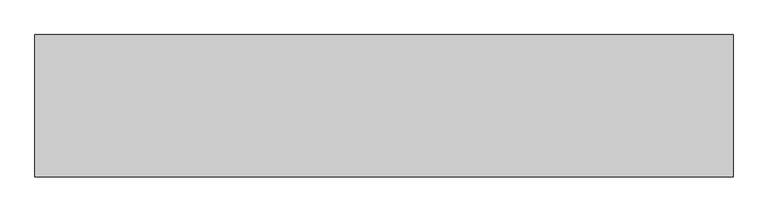
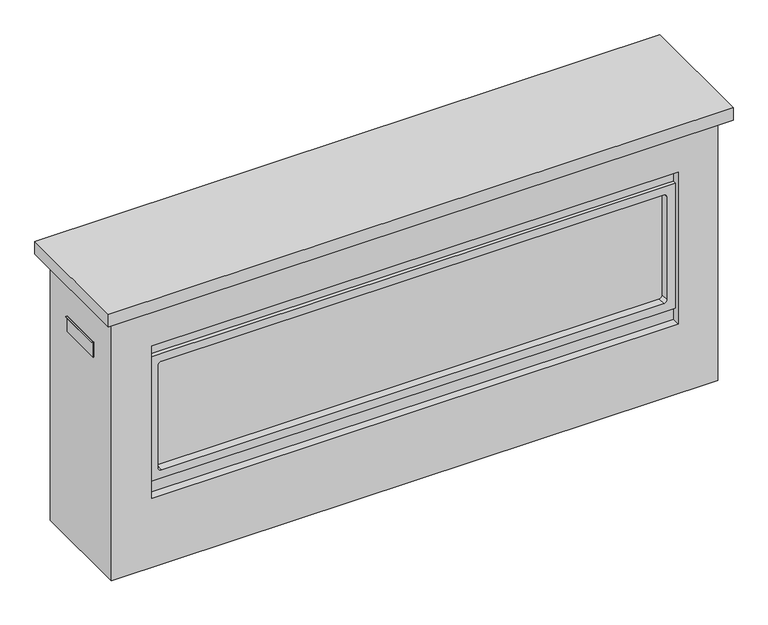
"""IFC4 building model written with IfcOpenShell, lengths in millimetres: proxy geometry."""

from ifc_helpers import new_model, si_unit, point, frame, frame_2d, origin, place, context, project, spatial, polyline, circle_curve, trimmed, segment, composite_curve, outline, extrude, source, transform, mapped, element, save
from ifc_brep_helpers import plane_surface, revolved_surface, advanced_brep


def generic_models_ce2f9908(model_context):
    return source(origin(), model_context, "Body", "SolidModel", [
        extrude(outline(composite_curve([segment(trimmed(circle_curve(frame_2d((729.4626, 947.0489017)), 1.7018), [point((731.1644, 947.0489017))], [point((729.4626, 945.3471017))], False, "CARTESIAN"), True, "CONTINUOUS"), segment(polyline([(729.4626, 945.3471017), (684.0302362, 945.3471017), (680.4675914, 945.3471017), (680.4675914, 944.5625), (679.6738414, 944.5625), (679.6738414, 946.1408517), (729.4626, 946.1408517)]), True, "CONTINUOUS"), segment(trimmed(circle_curve(frame_2d((729.4626, 947.0489017)), 0.90805), [point((729.4626, 946.1408517))], [point((730.37065, 947.0489017))], True, "CARTESIAN"), True, "CONTINUOUS"), segment(polyline([(730.37065, 947.0489017), (730.37065, 951.1891017), (731.1644, 951.1891017), (731.1644, 947.0489017)]), True, "CONTINUOUS")], self_intersect=False)), frame((0.0, -69.85, 0.0), z_axis=(0.0, 1.0, 0.0), x_axis=(0.0, 0.0, 1.0)), (0.0, 0.0, 1.0), 139.7),
        extrude(outline(composite_curve([segment(polyline([(731.1644, -947.0489017), (731.1644, -951.1891017), (730.37065, -951.1891017), (730.37065, -947.0489017)]), True, "CONTINUOUS"), segment(trimmed(circle_curve(frame_2d((729.4626, -947.0489017)), 0.90805), [point((730.37065, -947.0489017))], [point((729.4626, -946.1408517))], True, "CARTESIAN"), True, "CONTINUOUS"), segment(polyline([(729.4626, -946.1408517), (679.6738414, -946.1408517), (679.6738414, -944.5625), (680.4675914, -944.5625), (680.4675914, -945.3471017), (684.0302362, -945.3471017), (729.4626, -945.3471017)]), True, "CONTINUOUS"), segment(trimmed(circle_curve(frame_2d((729.4626, -947.0489017)), 1.7018), [point((729.4626, -945.3471017))], [point((731.1644, -947.0489017))], False, "CARTESIAN"), True, "CONTINUOUS")], self_intersect=False)), frame((0.0, -69.85, 0.0), z_axis=(0.0, 1.0, 0.0), x_axis=(0.0, 0.0, 1.0)), (0.0, 0.0, 1.0), 139.7),
        advanced_brep(
        [(944.5625, 165.1, 866.775), (-944.5625, 165.1, 866.775), (-944.5625, -165.1, 866.775), (944.5625, -165.1, 866.775), (944.5625, 165.1, 0.0), (944.5625, -165.1, 0.0), (-944.5625, -165.1, 0.0), (-944.5625, 165.1, 0.0), (-819.15, -165.1, 228.6569412), (-819.15, -165.1, 730.25), (820.7375, -165.1, 730.25), (820.7375, -165.1, 228.6569412), (820.7375, -139.7, 730.25), (-819.15, -139.7, 730.25), (-819.15, -139.7, 684.6981706), (820.7375, -139.7, 684.6981706), (820.7375, -139.7, 274.2087706), (-819.15, -139.7, 274.2087706), (-819.15, -139.7, 228.6569412), (820.7375, -139.7, 228.6569412), (-819.15, -152.4, 274.2087706), (-819.15, -152.4, 684.6981706), (820.7375, -152.4, 684.6981706), (820.7375, -152.4, 274.2087706), (-791.1084, -127.0, 649.7731706), (-791.1084, -127.0, 310.8863706), (-781.5834, -127.0, 301.3613706), (783.1709, -127.0, 301.3613706), (792.6959, -127.0, 310.8863706), (792.6959, -127.0, 649.7731706), (783.1709, -127.0, 659.2981706), (-781.5834, -127.0, 659.2981706), (-791.1084, -152.4, 649.7731706), (-791.1084, -152.4, 310.8863706), (-781.5834, -152.4, 301.3613706), (783.1709, -152.4, 301.3613706), (792.6959, -152.4, 310.8863706), (792.6959, -152.4, 649.7731706), (783.1709, -152.4, 659.2981706), (-781.5834, -152.4, 659.2981706)],
        [
            (0, 1),
            (1, 2),
            (2, 3),
            (3, 0),
            (4, 5),
            (5, 6),
            (6, 7),
            (7, 4),
            (0, 4),
            (7, 1),
            (6, 2),
            (5, 3),
            (8, 9),
            (9, 10),
            (10, 11),
            (11, 8),
            (12, 13),
            (13, 14),
            (14, 15),
            (15, 12),
            (16, 17),
            (17, 18),
            (18, 19),
            (19, 16),
            (12, 10),
            (9, 13),
            (8, 18),
            (17, 20),
            (20, 21),
            (21, 14),
            (21, 22),
            (22, 15),
            (22, 23),
            (23, 16),
            (19, 11),
            (23, 20),
            (24, 25),
            (25, 26, circle_curve(frame((-781.5834, -127.0, 310.8863706), z_axis=(0.0, -1.0, 0.0), x_axis=(1.0, 0.0, 0.0)), 9.525)),
            (26, 27),
            (27, 28, circle_curve(frame((783.1709, -127.0, 310.8863706), z_axis=(0.0, -1.0, 0.0), x_axis=(1.0, 0.0, 0.0)), 9.525)),
            (28, 29),
            (29, 30, circle_curve(frame((783.1709, -127.0, 649.7731706), z_axis=(0.0, -1.0, 0.0), x_axis=(1.0, 0.0, 0.0)), 9.525)),
            (30, 31),
            (31, 24, circle_curve(frame((-781.5834, -127.0, 649.7731706), z_axis=(0.0, -1.0, 0.0), x_axis=(1.0, 0.0, 0.0)), 9.525)),
            (24, 32),
            (32, 33),
            (33, 25),
            (33, 34, circle_curve(frame((-781.5834, -152.4, 310.8863706), z_axis=(0.0, -1.0, 0.0), x_axis=(1.0, 0.0, 0.0)), 9.525)),
            (34, 26),
            (34, 35),
            (35, 27),
            (35, 36, circle_curve(frame((783.1709, -152.4, 310.8863706), z_axis=(0.0, -1.0, 0.0), x_axis=(1.0, 0.0, 0.0)), 9.525)),
            (36, 28),
            (36, 37),
            (37, 29),
            (37, 38, circle_curve(frame((783.1709, -152.4, 649.7731706), z_axis=(0.0, -1.0, 0.0), x_axis=(1.0, 0.0, 0.0)), 9.525)),
            (38, 30),
            (38, 39),
            (39, 31),
            (39, 32, circle_curve(frame((-781.5834, -152.4, 649.7731706), z_axis=(0.0, -1.0, 0.0), x_axis=(1.0, 0.0, 0.0)), 9.525)),
        ],
        [
            plane_surface(frame((-782.6375, 165.1, 866.775), z_axis=(0.0, 0.0, 1.0), x_axis=(-1.0, 0.0, 0.0))),
            plane_surface(frame((-782.6375, 165.1, 0.0), z_axis=(0.0, 0.0, -1.0), x_axis=(1.0, 0.0, 0.0))),
            plane_surface(frame((944.5625, 165.1, 866.775), z_axis=(0.0, 1.0, 0.0), x_axis=(0.0, 0.0, -1.0))),
            plane_surface(frame((-944.5625, 165.1, 866.775), z_axis=(-1.0, 0.0, 0.0), x_axis=(0.0, 0.0, -1.0))),
            plane_surface(frame((-944.5625, -165.1, 866.775), z_axis=(0.0, -1.0, 0.0), x_axis=(0.0, 0.0, -1.0))),
            plane_surface(frame((944.5625, -165.1, 866.775), z_axis=(1.0, 0.0, 0.0), x_axis=(0.0, 0.0, -1.0))),
            plane_surface(frame((-819.15, -139.7, 730.25), z_axis=(0.0, -1.0, 0.0), x_axis=(1.0, 0.0, 0.0))),
            plane_surface(frame((820.7375, -165.1, 730.25), z_axis=(0.0, 0.0, -1.0), x_axis=(0.0, 1.0, 0.0))),
            plane_surface(frame((-819.15, -165.1, 730.25), z_axis=(1.0, 0.0, 0.0), x_axis=(0.0, 1.0, 0.0))),
            plane_surface(frame((-819.15, -165.1, 684.6981706), z_axis=(0.0, 0.0, 1.0), x_axis=(0.0, 1.0, 0.0))),
            plane_surface(frame((820.7375, -165.1, 684.6981706), z_axis=(-1.0, 0.0, 0.0), x_axis=(0.0, 1.0, 0.0))),
            plane_surface(frame((820.7375, -165.1, 274.2087706), z_axis=(0.0, 0.0, -1.0), x_axis=(0.0, 1.0, 0.0))),
            plane_surface(frame((-819.15, -165.1, 228.6569412), z_axis=(0.0, 0.0, 1.0), x_axis=(0.0, 1.0, 0.0))),
            plane_surface(frame((-791.1084, -127.0, 310.8863706), z_axis=(0.0, -1.0, 0.0), x_axis=(0.0, 0.0, 1.0))),
            plane_surface(frame((-791.1084, -165.1, 649.7731706), z_axis=(1.0, 0.0, 0.0), x_axis=(0.0, 1.0, 0.0))),
            revolved_surface(polyline([(-772.0584, -152.4, 310.8863706), (-772.0584, -127.0, 310.8863706)]), (-781.5834, -127.0, 310.8863706), (0.0, -1.0, 0.0)),
            plane_surface(frame((-781.5834, -165.1, 301.3613706), z_axis=(0.0, 0.0, 1.0), x_axis=(0.0, 1.0, 0.0))),
            revolved_surface(polyline([(792.6958999999999, -152.4, 310.8863706), (792.6958999999999, -127.0, 310.8863706)]), (783.1709, -127.0, 310.8863706), (0.0, -1.0, 0.0)),
            plane_surface(frame((792.6959, -165.1, 310.8863706), z_axis=(-1.0, 0.0, 0.0), x_axis=(0.0, 1.0, 0.0))),
            revolved_surface(polyline([(792.6958999999999, -152.4, 649.7731706), (792.6958999999999, -127.0, 649.7731706)]), (783.1709, -127.0, 649.7731706), (0.0, -1.0, 0.0)),
            plane_surface(frame((783.1709, -165.1, 659.2981706), z_axis=(0.0, 0.0, -1.0), x_axis=(0.0, 1.0, 0.0))),
            revolved_surface(polyline([(-772.0584, -152.4, 649.7731706), (-772.0584, -127.0, 649.7731706)]), (-781.5834, -127.0, 649.7731706), (0.0, -1.0, 0.0)),
            plane_surface(frame((-772.0584, -152.4, 649.7731706), z_axis=(0.0, -1.0, 0.0), x_axis=(0.0, 0.0, 1.0))),
        ],
        [
            (0, [[1, 2, 3, 4]]),
            (1, [[5, 6, 7, 8]]),
            (2, [[-1, 9, -8, 10]]),
            (3, [[-2, -10, -7, 11]]),
            (4, [[-3, -11, -6, 12], [13, 14, 15, 16]]),
            (5, [[-4, -12, -5, -9]]),
            (6, [[17, 18, 19, 20]]),
            (6, [[21, 22, 23, 24]]),
            (7, [[-17, 25, -14, 26]]),
            (8, [[-18, -26, -13, 27, -22, 28, 29, 30]]),
            (9, [[-19, -30, 31, 32]]),
            (10, [[-20, -32, 33, 34, -24, 35, -15, -25]]),
            (11, [[-21, -34, 36, -28]]),
            (12, [[-23, -27, -16, -35]]),
            (13, [[37, 38, 39, 40, 41, 42, 43, 44]]),
            (14, [[-37, 45, 46, 47]]),
            (15, [[-38, -47, 48, 49]]),
            (16, [[-39, -49, 50, 51]]),
            (17, [[-40, -51, 52, 53]]),
            (18, [[-41, -53, 54, 55]]),
            (19, [[-42, -55, 56, 57]]),
            (20, [[-43, -57, 58, 59]]),
            (21, [[-44, -59, 60, -45]]),
            (22, [[-29, -36, -33, -31], [-46, -60, -58, -56, -54, -52, -50, -48]]),
        ],
    ),
        extrude(outline(polyline([(973.1375, 198.4375), (973.1375, -198.4375), (-973.1375, -198.4375), (-973.1375, 198.4375), (973.1375, 198.4375)])), frame((0.0, 0.0, 866.775), z_axis=(0.0, 0.0, 1.0), x_axis=(1.0, 0.0, 0.0)), (0.0, 0.0, 1.0), 41.275),
    ])


if __name__ == "__main__":
    model = new_model("IFC4")
    model_context = context("Model", 3, world=origin())
    ifc_project = project(units=[si_unit("LENGTHUNIT", "METRE", prefix="MILLI")], contexts=[model_context])
    site = spatial("IfcSite", under=ifc_project)
    building = spatial("IfcBuilding", under=site)
    placement = place(None, origin())
    generic_models_shape = generic_models_ce2f9908(model_context)
    element("IfcBuildingElementProxy", 1, Name="Generic Models", at=placement, inside=building, context=model_context, shape_type="MappedRepresentation", body=[
        mapped(generic_models_shape, transform((0.0, 0.0, 0.0), x_axis=(1.0, 0.0, 0.0), y_axis=(0.0, 1.0, 0.0), z_axis=(0.0, 0.0, 1.0))),
    ])
    save(model, "model.ifc")
